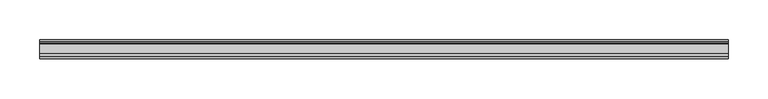
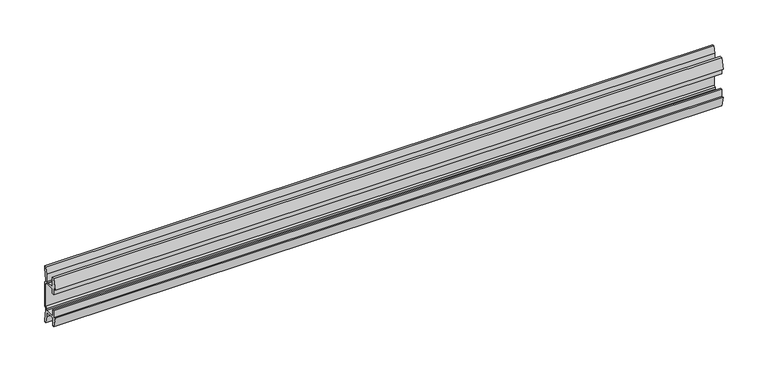
"""IFC4 building model written with IfcOpenShell, lengths in millimetres: furniture geometry."""

from ifc_helpers import new_model, si_unit, point, frame, frame_2d, origin, place, context, project, spatial, polyline, circle_curve, trimmed, segment, composite_curve, outline, extrude, source, transform, mapped, element, save


def furniture_3e77e4d5(model_context):
    return source(origin(), model_context, "Body", "SweptSolid", [
        extrude(outline(composite_curve([segment(polyline([(11.858323, 875.9865986), (10.7166987, 870.0271626)]), True, "CONTINUOUS"), segment(trimmed(circle_curve(frame_2d((88.1501042, 855.193568)), 78.8414093), [point((10.7166987, 870.0271626))], [point((9.4546262, 859.9883112))], True, "CARTESIAN"), True, "CONTINUOUS"), segment(polyline([(9.4546262, 859.9883112), (11.4773198, 857.9656177), (11.4773198, 825.0383823), (9.4546262, 823.0156888)]), True, "CONTINUOUS"), segment(trimmed(circle_curve(frame_2d((88.1501042, 827.810432)), 78.8414093), [point((9.4546262, 823.0156888))], [point((10.7166987, 812.9768374))], True, "CARTESIAN"), True, "CONTINUOUS"), segment(polyline([(10.7166987, 812.9768374), (11.858323, 807.0174014), (11.858323, 803.4026449), (9.3183016, 803.4026449), (7.5671861, 812.543709), (6.9977776, 819.2374675), (-5.9218281, 819.2374675), (-5.9218281, 808.6725449), (-8.4618484, 808.6725449), (-11.7914971, 822.1810462), (-8.4618484, 821.1821511), (-8.4618484, 830.7072306), (-5.9218281, 830.7072306), (-5.9218281, 821.817155), (6.7782802, 821.817155), (6.7782802, 824.371689), (8.8976323, 826.2140136), (8.8976323, 856.7930348), (6.7782802, 858.6474685), (-5.2868484, 858.6474685), (-5.2868484, 852.2974144), (-8.4618484, 852.2974144), (-8.4618484, 861.8224939), (-11.858323, 860.5524837), (-8.4618484, 874.3321), (-5.2868484, 874.3321), (-5.2868484, 861.1874899), (6.7782802, 861.1874899), (7.5671861, 870.4615809), (9.3183016, 879.6026449), (11.858323, 879.6026449), (11.858323, 875.9865986)]), True, "CONTINUOUS")], self_intersect=False)), frame((-431.8, 0.0, 0.0), z_axis=(1.0, 0.0, 0.0), x_axis=(0.0, 1.0, 0.0)), (0.0, 0.0, 1.0), 863.6),
    ])


if __name__ == "__main__":
    model = new_model("IFC4")
    model_context = context("Model", 3, world=origin())
    ifc_project = project(units=[si_unit("LENGTHUNIT", "METRE", prefix="MILLI")], contexts=[model_context])
    site = spatial("IfcSite", under=ifc_project)
    building = spatial("IfcBuilding", under=site)
    placement = place(None, origin())
    furniture_shape = furniture_3e77e4d5(model_context)
    element("IfcFurniture", 1, at=placement, inside=building, context=model_context, shape_type="MappedRepresentation", body=[
        mapped(furniture_shape, transform((0.0, 0.0, 0.0), x_axis=(1.0, 0.0, 0.0), y_axis=(0.0, 1.0, 0.0), z_axis=(0.0, 0.0, 1.0))),
    ])
    save(model, "model.ifc")
